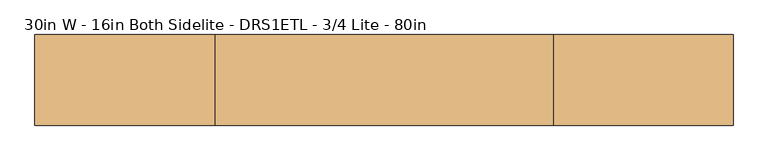
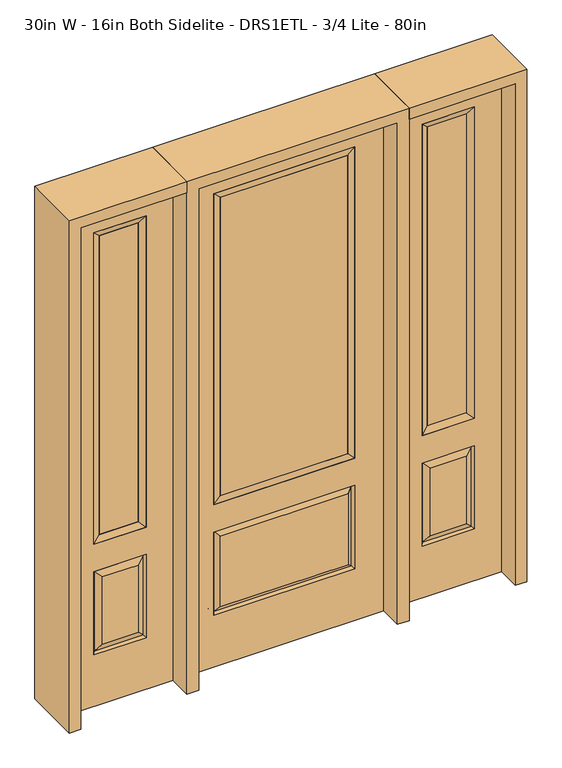
"""IFC4 building model written with IfcOpenShell, lengths in millimetres: door geometry, 30in W - 16in Both Sidelite - DRS1ETL - 3/4 Lite - 80in."""

import ifcopenshell
import ifcopenshell.guid

model = None  # the IFC model being written
_history = None  # IfcOwnerHistory: only IFC2X3 demands one
_inside = {}  # id of a spatial element -> (the spatial element, [elements in it])
_under = {}  # id of a project, library or spatial element -> (it, [spatial elements below it])
_declared = {}  # id of a project -> (the project, [libraries it declares])
_typed = {}  # id of a type object -> (the type object, [elements of that type])
_made_of = {}  # id of a material, layer set ... -> (it, [elements and type objects made of it])


def new_model(schema):
    """Start an empty IFC model of exactly this schema.

    Asked for "IFC4X3", IfcOpenShell would pick the latest addendum, in which some entities
    have other attributes; the version numbers below select the first issue.
    IFC2X3 requires an IfcOwnerHistory on every rooted entity: one is made here for all.
    """
    global model, _history
    if schema == "IFC4X3":
        model = ifcopenshell.file(schema_version=(4, 3, 0, 0))
    else:
        model = ifcopenshell.file(schema=schema)
    _inside.clear()
    _under.clear()
    _declared.clear()
    _typed.clear()
    _made_of.clear()
    _history = None
    if model.schema == "IFC2X3":
        org = make("IfcOrganization", Name="unknown")
        user = make(
            "IfcPersonAndOrganization",
            ThePerson=make("IfcPerson", FamilyName="unknown"),
            TheOrganization=org,
        )
        app = make(
            "IfcApplication",
            ApplicationDeveloper=org,
            Version="unknown",
            ApplicationFullName="unknown",
            ApplicationIdentifier="unknown",
        )
        _history = make(
            "IfcOwnerHistory",
            OwningUser=user,
            OwningApplication=app,
            ChangeAction="ADDED",
            CreationDate=0,
        )
    return model


def make(cls, **values):
    """One entity of the class cls with the attributes given. An attribute that is None is left unset."""
    return model.create_entity(
        cls, **{name: value for name, value in values.items() if value is not None}
    )


def rooted(cls, **values):
    """An entity with a GlobalId (a new one), such as an element, a storey or a relation."""
    return make(cls, GlobalId=ifcopenshell.guid.new(), OwnerHistory=_history, **values)


def si_unit(unit_type, name, prefix=None):
    """IfcSIUnit, for example si_unit("LENGTHUNIT", "METRE", prefix="MILLI")."""
    return make("IfcSIUnit", UnitType=unit_type, Prefix=prefix, Name=name)


def assignment(units):
    """IfcUnitAssignment: the units of a project."""
    return None if units is None else make("IfcUnitAssignment", Units=units)


def point(xyz):
    """IfcCartesianPoint."""
    return None if xyz is None else make("IfcCartesianPoint", Coordinates=xyz)


def direction(xyz):
    """IfcDirection."""
    return None if xyz is None else make("IfcDirection", DirectionRatios=xyz)


def frame(location, z_axis=None, x_axis=None):
    """IfcAxis2Placement3D, a coordinate frame: its origin and axes. An axis left out is left unset."""
    return make(
        "IfcAxis2Placement3D",
        Location=point(location),
        Axis=direction(z_axis),
        RefDirection=direction(x_axis),
    )


def origin():
    """The frame at (0, 0, 0) with its axes left unset."""
    return frame((0.0, 0.0, 0.0))


def place(relative_to, where):
    """IfcLocalPlacement: puts the frame where relative to a parent placement (None: the world)."""
    return make(
        "IfcLocalPlacement", PlacementRelTo=relative_to, RelativePlacement=where
    )


def context(
    kind, dimensions, precision=None, world=None, true_north=None, identifier=None
):
    """IfcGeometricRepresentationContext, for example the 3D "Model" context."""
    return make(
        "IfcGeometricRepresentationContext",
        ContextIdentifier=identifier,
        ContextType=kind,
        CoordinateSpaceDimension=dimensions,
        Precision=precision,
        WorldCoordinateSystem=world,
        TrueNorth=true_north,
    )


def project(units=None, contexts=None):
    """IfcProject with its units and contexts."""
    return rooted(
        "IfcProject",
        Name="project",
        RepresentationContexts=contexts,
        UnitsInContext=assignment(units),
    )


def spatial(cls, under=None, at=None, **own):
    """A site, building, storey or space (cls), placed at a placement, below another one or the project."""
    s = rooted(cls, ObjectPlacement=at, **own)
    if under is not None:
        _under.setdefault(under.id(), (under, []))[1].append(s)
    return s


def polyline(points):
    """IfcPolyline through the points."""
    return make("IfcPolyline", Points=[point(p) for p in points])


def outline(outer, holes=None, kind="AREA"):
    """IfcArbitraryClosedProfileDef: a profile drawn as a closed curve; with holes, ...WithVoids."""
    if holes is None:
        return make("IfcArbitraryClosedProfileDef", ProfileType=kind, OuterCurve=outer)
    return make(
        "IfcArbitraryProfileDefWithVoids",
        ProfileType=kind,
        OuterCurve=outer,
        InnerCurves=holes,
    )


def extrude(swept, where, along, depth):
    """IfcExtrudedAreaSolid: the profile swept, set in the frame where, extruded along a direction by depth."""
    return make(
        "IfcExtrudedAreaSolid",
        SweptArea=swept,
        Position=where,
        ExtrudedDirection=direction(along),
        Depth=depth,
    )


def faces_of(points, faces, orient=None, outer=None):
    """IfcFace entities. A face is a list of loops; a loop is a list of indices into points, from 0.

    orient and outer hold one flag for each loop. By default every Orientation is true, the
    first loop of a face is its IfcFaceOuterBound and the others are IfcFaceBound.
    """
    made = []
    for i, loops in enumerate(faces):
        bounds = []
        for j, loop in enumerate(loops):
            is_outer = j == 0 if outer is None else outer[i][j]
            bounds.append(
                make(
                    "IfcFaceOuterBound" if is_outer else "IfcFaceBound",
                    Bound=make("IfcPolyLoop", Polygon=[points[k] for k in loop]),
                    Orientation=True if orient is None else orient[i][j],
                )
            )
        made.append(make("IfcFace", Bounds=bounds))
    return made


def faceted_brep(points, faces, orient=None, outer=None, voids=None):
    """IfcFacetedBrep: a solid bounded by flat faces; with voids (closed shells), ...WithVoids."""
    shared = [point(p) for p in points]
    hull = make("IfcClosedShell", CfsFaces=faces_of(shared, faces, orient, outer))
    if voids is None:
        return make("IfcFacetedBrep", Outer=hull)
    return make(
        "IfcFacetedBrepWithVoids",
        Outer=hull,
        Voids=[
            make(cls, CfsFaces=faces_of(shared, fs, o, b)) for cls, fs, o, b in voids
        ],
    )


def shape(context_of_items, identifier, shape_type, items):
    """IfcShapeRepresentation: the items that make up one representation, for example the "Body"."""
    return make(
        "IfcShapeRepresentation",
        ContextOfItems=context_of_items,
        RepresentationIdentifier=identifier,
        RepresentationType=shape_type,
        Items=items,
    )


def source(mapping_origin, context_of_items, identifier, shape_type, items):
    """IfcRepresentationMap: a shape defined once, which mapped items show again and again."""
    return make(
        "IfcRepresentationMap",
        MappingOrigin=mapping_origin,
        MappedRepresentation=shape(context_of_items, identifier, shape_type, items),
    )


def transform(
    local_origin,
    x_axis=None,
    y_axis=None,
    z_axis=None,
    scale=None,
    scale2=None,
    scale3=None,
    uniform=True,
):
    """IfcCartesianTransformationOperator3D, or its non-uniform kind. x_axis, y_axis, z_axis: its Axis1, 2, 3."""
    if uniform:
        return make(
            "IfcCartesianTransformationOperator3D",
            Axis1=direction(x_axis),
            Axis2=direction(y_axis),
            LocalOrigin=point(local_origin),
            Scale=scale,
            Axis3=direction(z_axis),
        )
    return make(
        "IfcCartesianTransformationOperator3DnonUniform",
        Axis1=direction(x_axis),
        Axis2=direction(y_axis),
        LocalOrigin=point(local_origin),
        Scale=scale,
        Axis3=direction(z_axis),
        Scale2=scale2,
        Scale3=scale3,
    )


def mapped(mapping_source, mapping_target):
    """IfcMappedItem: shows the shape of a source again, moved by a transform."""
    return make(
        "IfcMappedItem", MappingSource=mapping_source, MappingTarget=mapping_target
    )


def made_of(thing, what):
    """Note that an element or type object is made of a material, layer set ...; save() writes the relation."""
    if what is not None:
        _made_of.setdefault(what.id(), (what, []))[1].append(thing)
    return thing


def element(
    cls,
    number,
    at=None,
    inside=None,
    cuts=None,
    type_object=None,
    material=None,
    context=None,
    identifier="Body",
    shape_type=None,
    held_by="IfcProductDefinitionShape",
    body=None,
    shapes=None,
    **own,
):
    """One element of the class cls, such as IfcWall. Its Tag is "e" and its number.

    at: its placement. inside: the storey or other place that contains it. cuts: it is an
    opening in that element (IfcRelVoidsElement). A single representation is given by context,
    identifier, shape_type and body (its items); several are given by shapes. held_by: the class
    of the entity that holds the representations. save() writes the other relations.
    """
    e = rooted(cls, Tag="e%d" % number, ObjectPlacement=at, **own)
    if body is not None:
        shapes = [shape(context, identifier, shape_type, body)]
    if shapes is not None:
        e.Representation = make(held_by, Representations=shapes)
    if inside is not None:
        _inside.setdefault(inside.id(), (inside, []))[1].append(e)
    if cuts is not None:
        rooted(
            "IfcRelVoidsElement", RelatingBuildingElement=cuts, RelatedOpeningElement=e
        )
    if type_object is not None:
        _typed.setdefault(type_object.id(), (type_object, []))[1].append(e)
    return made_of(e, material)


def aggregate(whole, parts):
    """IfcRelAggregates: a whole, such as a stair, and the parts it consists of."""
    return rooted("IfcRelAggregates", RelatingObject=whole, RelatedObjects=parts)


def save(model, path):
    """Write the relations noted so far, then the file.

    IfcRelAggregates (storeys below a building ...), IfcRelContainedInSpatialStructure (elements
    in a storey), IfcRelDefinesByType, IfcRelAssociatesMaterial and IfcRelDeclares: one each for
    every whole, place, type object, material and project.
    """
    for whole, parts in _under.values():
        aggregate(whole, parts)
    for where, things in _inside.values():
        rooted(
            "IfcRelContainedInSpatialStructure",
            RelatedElements=things,
            RelatingStructure=where,
        )
    for kind, things in _typed.values():
        rooted("IfcRelDefinesByType", RelatedObjects=things, RelatingType=kind)
    for what, things in _made_of.values():
        rooted("IfcRelAssociatesMaterial", RelatedObjects=things, RelatingMaterial=what)
    for by, libraries in _declared.values():
        rooted("IfcRelDeclares", RelatingContext=by, RelatedDefinitions=libraries)
    model.write(path)


def door_30in_w_16in_both_sidelite_drs1etl_3_4_lite_80in_02922103(model_context):
    return source(origin(), model_context, "Body", "SolidModel", [
        faceted_brep([(425.45, -22.225, 0.0), (831.85, -22.225, 0.0), (831.85, -22.225, 2032.0), (425.45, -22.225, 2032.0), (728.98, -22.225, 1919.224), (728.98, -22.225, 657.098), (528.32, -22.225, 657.098), (528.32, -22.225, 1919.224), (728.98, -22.225, 209.55), (528.32, -22.225, 209.55), (528.32, -22.225, 546.1), (728.98, -22.225, 546.1), (560.0351001, -22.225, 241.2651001), (697.2648999, -22.225, 241.2651001), (697.2648999, -22.225, 514.3848999), (560.0351001, -22.225, 514.3848999), (425.45, 22.225, 0.0), (425.45, 22.225, 2032.0), (831.85, 22.225, 2032.0), (831.85, 22.225, 0.0), (728.98, 22.225, 1919.224), (528.32, 22.225, 1919.224), (528.32, 22.225, 657.098), (728.98, 22.225, 657.098), (528.32, 22.225, 209.55), (728.98, 22.225, 209.55), (728.98, 22.225, 546.1), (528.32, 22.225, 546.1), (697.2648999, 22.225, 241.2651001), (560.0351001, 22.225, 241.2651001), (560.0351001, 22.225, 514.3848999), (697.2648999, 22.225, 514.3848999), (721.8711499, 12.7912373, 216.6588501), (535.4288501, 12.7912373, 216.6588501), (535.4288501, 12.7912373, 538.9911499), (721.8711499, 12.7912373, 538.9911499), (535.4288501, -12.7912373, 216.6588501), (721.8711499, -12.7912373, 216.6588501), (535.4288501, -12.7912373, 538.9911499), (721.8711499, -12.7912373, 538.9911499)], [[[0, 1, 2, 3], [4, 5, 6, 7], [8, 9, 10, 11]], [[12, 13, 14, 15]], [[16, 17, 18, 19], [20, 21, 22, 23], [24, 25, 26, 27]], [[28, 29, 30, 31]], [[1, 0, 16, 19]], [[2, 1, 19, 18]], [[3, 2, 18, 17]], [[0, 3, 17, 16]], [[5, 4, 20, 23]], [[6, 5, 23, 22]], [[7, 6, 22, 21]], [[4, 7, 21, 20]], [[32, 33, 29, 28]], [[33, 32, 25, 24]], [[29, 33, 34, 30]], [[33, 24, 27, 34]], [[30, 34, 35, 31]], [[34, 27, 26, 35]], [[32, 28, 31, 35]], [[25, 32, 35, 26]], [[12, 36, 37, 13]], [[37, 36, 9, 8]], [[36, 12, 15, 38]], [[9, 36, 38, 10]], [[38, 15, 14, 39]], [[10, 38, 39, 11]], [[13, 37, 39, 14]], [[37, 8, 11, 39]]]),
        faceted_brep([(528.32, 22.225, 1919.224), (528.32, -22.225, 1919.224), (728.98, -22.225, 1919.224), (728.98, 22.225, 1919.224), (553.72, 12.7, 1893.824), (703.58, 12.7, 1893.824), (553.72, -12.7, 1893.824), (703.58, -12.7, 1893.824), (728.98, -22.225, 657.098), (728.98, 22.225, 657.098), (703.58, 12.7, 682.498), (703.58, -12.7, 682.498), (528.32, -22.225, 657.098), (528.32, 22.225, 657.098), (553.72, 12.7, 682.498), (553.72, -12.7, 682.498)], [[[0, 1, 2, 3]], [[4, 0, 3, 5]], [[6, 4, 5, 7]], [[1, 6, 7, 2]], [[3, 2, 8, 9]], [[5, 3, 9, 10]], [[7, 5, 10, 11]], [[2, 7, 11, 8]], [[9, 8, 12, 13]], [[10, 9, 13, 14]], [[11, 10, 14, 15]], [[8, 11, 15, 12]], [[13, 12, 1, 0]], [[14, 13, 0, 4]], [[15, 14, 4, 6]], [[12, 15, 6, 1]]]),
        extrude(outline(polyline([(703.58, -12.7), (553.72, -12.7), (553.72, 12.7), (703.58, 12.7), (703.58, -12.7)])), frame((0.0, 0.0, 682.498), z_axis=(0.0, 0.0, 1.0), x_axis=(1.0, 0.0, 0.0)), (0.0, 0.0, 1.0), 1211.326),
        faceted_brep([(-831.85, -22.225, 0.0), (-425.45, -22.225, 0.0), (-425.45, -22.225, 2032.0), (-831.85, -22.225, 2032.0), (-528.32, -22.225, 1919.224), (-528.32, -22.225, 657.098), (-728.98, -22.225, 657.098), (-728.98, -22.225, 1919.224), (-528.32, -22.225, 209.55), (-728.98, -22.225, 209.55), (-728.98, -22.225, 546.1), (-528.32, -22.225, 546.1), (-697.2648999, -22.225, 241.2651001), (-560.0351001, -22.225, 241.2651001), (-560.0351001, -22.225, 514.3848999), (-697.2648999, -22.225, 514.3848999), (-831.85, 22.225, 0.0), (-831.85, 22.225, 2032.0), (-425.45, 22.225, 2032.0), (-425.45, 22.225, 0.0), (-528.32, 22.225, 1919.224), (-728.98, 22.225, 1919.224), (-728.98, 22.225, 657.098), (-528.32, 22.225, 657.098), (-728.98, 22.225, 209.55), (-528.32, 22.225, 209.55), (-528.32, 22.225, 546.1), (-728.98, 22.225, 546.1), (-560.0351001, 22.225, 241.2651001), (-697.2648999, 22.225, 241.2651001), (-697.2648999, 22.225, 514.3848999), (-560.0351001, 22.225, 514.3848999), (-535.4288501, 12.7912373, 216.6588501), (-721.8711499, 12.7912373, 216.6588501), (-721.8711499, 12.7912373, 538.9911499), (-535.4288501, 12.7912373, 538.9911499), (-721.8711499, -12.7912373, 216.6588501), (-535.4288501, -12.7912373, 216.6588501), (-721.8711499, -12.7912373, 538.9911499), (-535.4288501, -12.7912373, 538.9911499)], [[[0, 1, 2, 3], [4, 5, 6, 7], [8, 9, 10, 11]], [[12, 13, 14, 15]], [[16, 17, 18, 19], [20, 21, 22, 23], [24, 25, 26, 27]], [[28, 29, 30, 31]], [[1, 0, 16, 19]], [[2, 1, 19, 18]], [[3, 2, 18, 17]], [[0, 3, 17, 16]], [[5, 4, 20, 23]], [[6, 5, 23, 22]], [[7, 6, 22, 21]], [[4, 7, 21, 20]], [[32, 33, 29, 28]], [[33, 32, 25, 24]], [[29, 33, 34, 30]], [[33, 24, 27, 34]], [[30, 34, 35, 31]], [[34, 27, 26, 35]], [[32, 28, 31, 35]], [[25, 32, 35, 26]], [[12, 36, 37, 13]], [[37, 36, 9, 8]], [[36, 12, 15, 38]], [[9, 36, 38, 10]], [[38, 15, 14, 39]], [[10, 38, 39, 11]], [[13, 37, 39, 14]], [[37, 8, 11, 39]]]),
        faceted_brep([(-728.98, 22.225, 1919.224), (-728.98, -22.225, 1919.224), (-528.32, -22.225, 1919.224), (-528.32, 22.225, 1919.224), (-703.58, 12.7, 1893.824), (-553.72, 12.7, 1893.824), (-703.58, -12.7, 1893.824), (-553.72, -12.7, 1893.824), (-528.32, -22.225, 657.098), (-528.32, 22.225, 657.098), (-553.72, 12.7, 682.498), (-553.72, -12.7, 682.498), (-728.98, -22.225, 657.098), (-728.98, 22.225, 657.098), (-703.58, 12.7, 682.498), (-703.58, -12.7, 682.498)], [[[0, 1, 2, 3]], [[4, 0, 3, 5]], [[6, 4, 5, 7]], [[1, 6, 7, 2]], [[3, 2, 8, 9]], [[5, 3, 9, 10]], [[7, 5, 10, 11]], [[2, 7, 11, 8]], [[9, 8, 12, 13]], [[10, 9, 13, 14]], [[11, 10, 14, 15]], [[8, 11, 15, 12]], [[13, 12, 1, 0]], [[14, 13, 0, 4]], [[15, 14, 4, 6]], [[12, 15, 6, 1]]]),
        extrude(outline(polyline([(-553.72, -12.7), (-703.58, -12.7), (-703.58, 12.7), (-553.72, 12.7), (-553.72, -12.7)])), frame((0.0, 0.0, 682.498), z_axis=(0.0, 0.0, 1.0), x_axis=(1.0, 0.0, 0.0)), (0.0, 0.0, 1.0), 1211.326),
        faceted_brep([(-262.7661499, -12.7912373, 216.6588501), (262.7661499, -12.7912373, 216.6588501), (245.26875, -22.225, 234.15625), (-245.26875, -22.225, 234.15625), (-269.875, -22.225, 209.55), (269.875, -22.225, 209.55), (-262.7661499, -12.7912373, 538.9911499), (-269.875, -22.225, 546.1), (245.26875, -22.225, 521.49375), (-245.26875, -22.225, 521.49375), (381.0, -22.225, 2032.0), (-381.0, -22.225, 2032.0), (-381.0, -22.225, 0.0), (381.0, -22.225, 0.0), (269.875, -22.225, 546.1), (269.875, -22.225, 1917.7), (269.875, -22.225, 657.098), (-269.875, -22.225, 657.098), (-269.875, -22.225, 1917.7), (262.7661499, -12.7912373, 538.9911499), (-381.0, 22.225, 2032.0), (-381.0, 22.225, 0.0), (381.0, 22.225, 0.0), (381.0, 22.225, 2032.0), (269.875, 22.225, 1917.7), (269.875, 22.225, 657.098), (-269.875, 22.225, 657.098), (-269.875, 22.225, 1917.7), (-269.875, 22.225, 209.55), (269.875, 22.225, 209.55), (269.875, 22.225, 546.1), (-269.875, 22.225, 546.1), (245.26875, 22.225, 234.15625), (-245.26875, 22.225, 234.15625), (-245.26875, 22.225, 521.49375), (245.26875, 22.225, 521.49375), (-262.7661499, 12.7912373, 216.6588501), (262.7661499, 12.7912373, 216.6588501), (262.7661499, 12.7912373, 538.9911499), (-262.7661499, 12.7912373, 538.9911499)], [[[0, 1, 2, 3]], [[1, 0, 4, 5]], [[4, 0, 6, 7]], [[3, 2, 8, 9]], [[10, 11, 12, 13], [5, 4, 7, 14], [15, 16, 17, 18]], [[1, 5, 14, 19]], [[2, 1, 19, 8]], [[0, 3, 9, 6]], [[7, 6, 19, 14]], [[6, 9, 8, 19]], [[12, 11, 20, 21]], [[13, 12, 21, 22]], [[10, 13, 22, 23]], [[16, 15, 24, 25]], [[17, 16, 25, 26]], [[18, 17, 26, 27]], [[23, 22, 21, 20], [28, 29, 30, 31], [24, 27, 26, 25]], [[32, 33, 34, 35]], [[28, 36, 37, 29]], [[29, 37, 38, 30]], [[39, 31, 30, 38]], [[36, 28, 31, 39]], [[37, 36, 33, 32]], [[33, 36, 39, 34]], [[34, 39, 38, 35]], [[37, 32, 35, 38]], [[11, 10, 23, 20]], [[15, 18, 27, 24]]]),
        faceted_brep([(-269.875, -22.225, 1917.7), (-269.875, 22.225, 1917.7), (-269.875, 22.225, 657.098), (-269.875, -22.225, 657.098), (269.875, 22.225, 657.098), (269.875, -22.225, 657.098), (-244.475, 5.08, 682.498), (244.475, 5.08, 682.498), (269.875, 22.225, 1917.7), (269.875, -22.225, 1917.7), (-244.475, -20.32, 682.498), (244.475, -20.32, 682.498), (-244.475, -20.32, 1892.3), (244.475, -20.32, 1892.3), (-244.475, 5.08, 1892.3), (244.475, 5.08, 1892.3)], [[[0, 1, 2, 3]], [[3, 2, 4, 5]], [[2, 6, 7, 4]], [[5, 4, 8, 9]], [[10, 3, 5, 11]], [[12, 0, 3, 10]], [[11, 5, 9, 13]], [[6, 10, 11, 7]], [[14, 12, 10, 6]], [[7, 11, 13, 15]], [[1, 14, 6, 2]], [[4, 7, 15, 8]], [[9, 8, 1, 0]], [[13, 9, 0, 12]], [[15, 13, 12, 14]], [[8, 15, 14, 1]]]),
        extrude(outline(polyline([(244.475, -20.32), (-244.475, -20.32), (-244.475, 5.08), (244.475, 5.08), (244.475, -20.32)])), frame((0.0, 0.0, 682.498), z_axis=(0.0, 0.0, 1.0), x_axis=(1.0, 0.0, 0.0)), (0.0, 0.0, 1.0), 1209.802),
        extrude(outline(polyline([(2032.0, -425.45), (2076.45, -425.45), (2076.45, -876.3), (0.0, -876.3), (0.0, -831.85), (2032.0, -831.85), (2032.0, -425.45)])), frame((0.0, -114.3, 0.0), z_axis=(0.0, 1.0, 0.0), x_axis=(0.0, 0.0, 1.0)), (0.0, 0.0, 1.0), 228.6),
        extrude(outline(polyline([(2076.45, -425.45), (0.0, -425.45), (0.0, -381.0), (2032.0, -381.0), (2032.0, 381.0), (0.0, 381.0), (0.0, 425.45), (2076.45, 425.45), (2076.45, -425.45)])), frame((0.0, -114.3, 0.0), z_axis=(0.0, 1.0, 0.0), x_axis=(0.0, 0.0, 1.0)), (0.0, 0.0, 1.0), 228.6),
        extrude(outline(polyline([(0.0, 831.85), (0.0, 876.3), (2076.45, 876.3), (2076.45, 425.45), (2032.0, 425.45), (2032.0, 831.85), (0.0, 831.85)])), frame((0.0, -114.3, 0.0), z_axis=(0.0, 1.0, 0.0), x_axis=(0.0, 0.0, 1.0)), (0.0, 0.0, 1.0), 228.6),
    ])


if __name__ == "__main__":
    model = new_model("IFC4")
    model_context = context("Model", 3, world=origin())
    ifc_project = project(units=[si_unit("LENGTHUNIT", "METRE", prefix="MILLI")], contexts=[model_context])
    site = spatial("IfcSite", under=ifc_project)
    building = spatial("IfcBuilding", under=site)
    placement = place(None, origin())
    door_30in_w_16in_both_sidelite_drs1etl_3_4_lite_80in_shape = door_30in_w_16in_both_sidelite_drs1etl_3_4_lite_80in_02922103(model_context)
    element("IfcDoor", 1, ObjectType="30in W - 16in Both Sidelite - DRS1ETL - 3/4 Lite - 80in", at=placement, inside=building, context=model_context, shape_type="MappedRepresentation", body=[
        mapped(door_30in_w_16in_both_sidelite_drs1etl_3_4_lite_80in_shape, transform((0.0, 0.0, 0.0), x_axis=(1.0, 0.0, 0.0), y_axis=(0.0, 1.0, 0.0), z_axis=(0.0, 0.0, 1.0))),
    ])
    save(model, "model.ifc")
